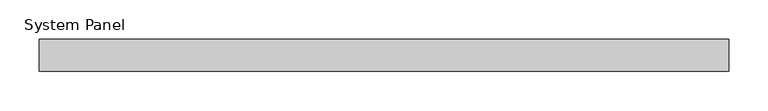
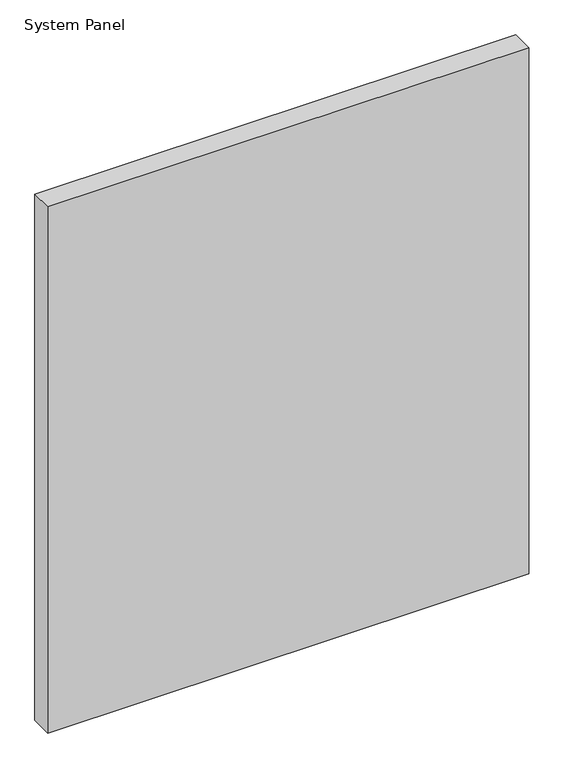
"""IFC4 building model written with IfcOpenShell, lengths in millimetres: plate geometry, System Panel."""

from ifc_helpers import new_model, si_unit, origin, origin_with_axes, place, context, project, spatial, polyline, outline, extrude, source, transform, mapped, element, save


def system_panel_90d5a328(model_context):
    return source(origin(), model_context, "Body", "SweptSolid", [
        extrude(outline(polyline([(436.6666667, -54.0), (-436.6666667, -54.0), (-436.6666667, -14.0), (436.6666667, -14.0), (436.6666667, -54.0)])), origin_with_axes(), (0.0, 0.0, 1.0), 1010.0),
    ])


if __name__ == "__main__":
    model = new_model("IFC4")
    model_context = context("Model", 3, world=origin())
    ifc_project = project(units=[si_unit("LENGTHUNIT", "METRE", prefix="MILLI")], contexts=[model_context])
    site = spatial("IfcSite", under=ifc_project)
    building = spatial("IfcBuilding", under=site)
    placement = place(None, origin())
    system_panel_shape = system_panel_90d5a328(model_context)
    element("IfcPlate", 1, ObjectType="System Panel", at=placement, inside=building, context=model_context, shape_type="MappedRepresentation", body=[
        mapped(system_panel_shape, transform((0.0, 0.0, 0.0), x_axis=(1.0, 0.0, 0.0), y_axis=(0.0, 1.0, 0.0), z_axis=(0.0, 0.0, 1.0))),
    ])
    save(model, "model.ifc")
